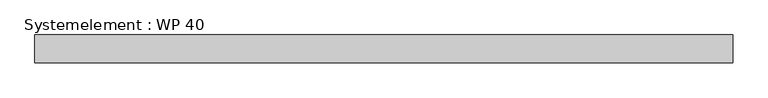
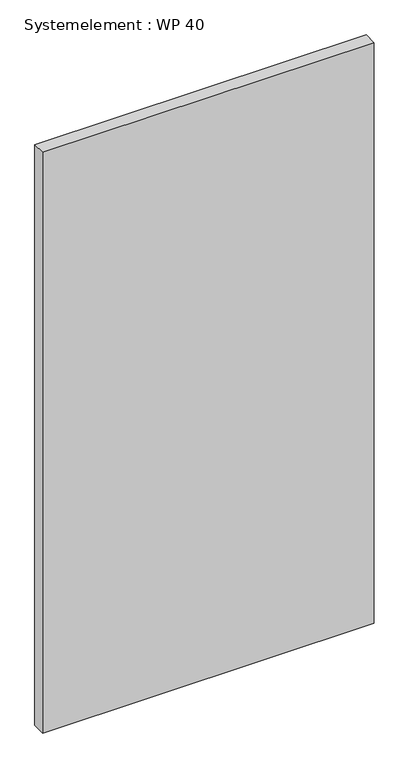
"""IFC4 building model written with IfcOpenShell, lengths in millimetres: plate geometry, Systemelement : WP 40."""

from ifc_helpers import new_model, si_unit, origin, origin_with_axes, place, context, project, spatial, polyline, outline, extrude, source, transform, mapped, element, save


def systemelement_wp_40_e15be646(model_context):
    return source(origin(), model_context, "Body", "SweptSolid", [
        extrude(outline(polyline([(500.0, -40.0), (-500.0, -40.0), (-500.0, 0.0), (500.0, 0.0), (500.0, -40.0)])), origin_with_axes(), (0.0, 0.0, 1.0), 1851.6147161),
    ])


if __name__ == "__main__":
    model = new_model("IFC4")
    model_context = context("Model", 3, world=origin())
    ifc_project = project(units=[si_unit("LENGTHUNIT", "METRE", prefix="MILLI")], contexts=[model_context])
    site = spatial("IfcSite", under=ifc_project)
    building = spatial("IfcBuilding", under=site)
    placement = place(None, origin())
    systemelement_wp_40_shape = systemelement_wp_40_e15be646(model_context)
    element("IfcPlate", 1, ObjectType="Systemelement : WP 40", at=placement, inside=building, context=model_context, shape_type="MappedRepresentation", body=[
        mapped(systemelement_wp_40_shape, transform((0.0, 0.0, 0.0), x_axis=(1.0, 0.0, 0.0), y_axis=(0.0, 1.0, 0.0), z_axis=(0.0, 0.0, 1.0))),
    ])
    save(model, "model.ifc")
